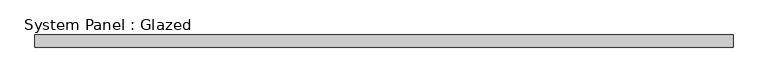
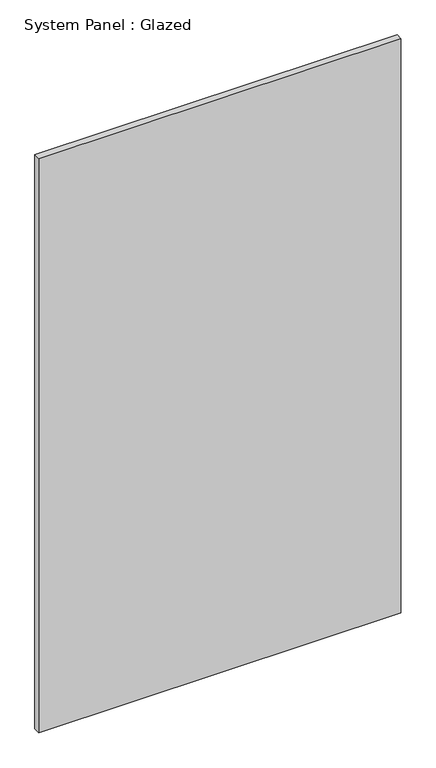
"""IFC4 building model written with IfcOpenShell, lengths in millimetres: plate geometry, System Panel : Glazed."""

from ifc_helpers import new_model, si_unit, origin, origin_with_axes, place, context, project, spatial, polyline, outline, extrude, source, transform, mapped, element, save


def system_panel_glazed_f50082bd(model_context):
    return source(origin(), model_context, "Body", "SweptSolid", [
        extrude(outline(polyline([(693.4210526, 24.5), (-693.4210526, 24.5), (-693.4210526, 49.5), (693.4210526, 49.5), (693.4210526, 24.5)])), origin_with_axes(), (0.0, 0.0, 1.0), 2325.0),
    ])


if __name__ == "__main__":
    model = new_model("IFC4")
    model_context = context("Model", 3, world=origin())
    ifc_project = project(units=[si_unit("LENGTHUNIT", "METRE", prefix="MILLI")], contexts=[model_context])
    site = spatial("IfcSite", under=ifc_project)
    building = spatial("IfcBuilding", under=site)
    placement = place(None, origin())
    system_panel_glazed_shape = system_panel_glazed_f50082bd(model_context)
    element("IfcPlate", 1, ObjectType="System Panel : Glazed", at=placement, inside=building, context=model_context, shape_type="MappedRepresentation", body=[
        mapped(system_panel_glazed_shape, transform((0.0, 0.0, 0.0), x_axis=(1.0, 0.0, 0.0), y_axis=(0.0, 1.0, 0.0), z_axis=(0.0, 0.0, 1.0))),
    ])
    save(model, "model.ifc")
